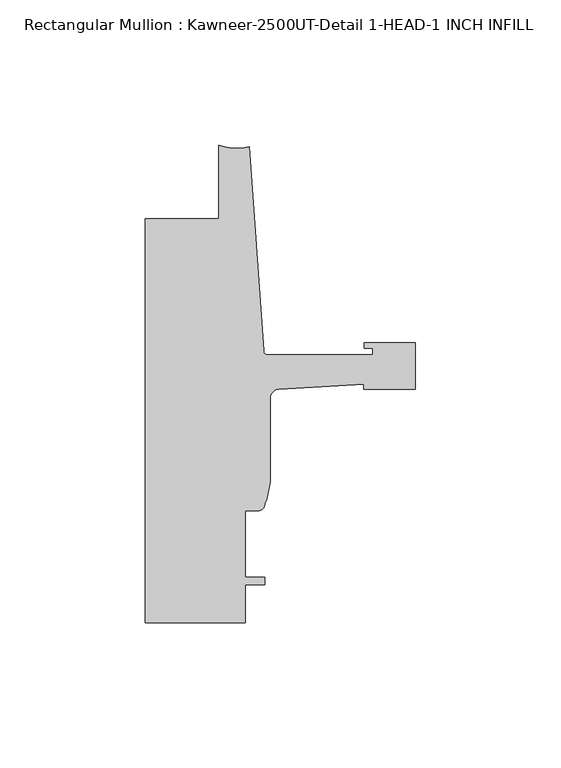
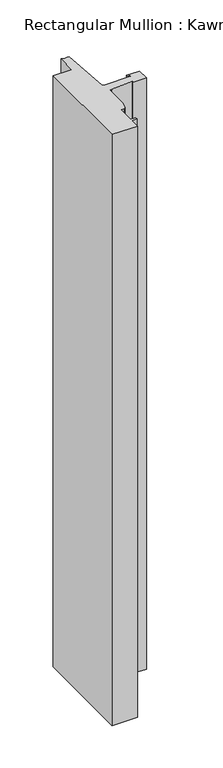
"""IFC4 building model written with IfcOpenShell, lengths in millimetres: member geometry, Rectangular Mullion : Kawneer-2500UT-Detail 1-HEAD-1 INCH INFILL."""

from ifc_helpers import new_model, si_unit, point, frame, frame_2d, origin, place, context, project, spatial, polyline, circle_curve, trimmed, segment, composite_curve, outline, extrude, source, transform, mapped, element, save


def rectangular_mullion_kawneer_2500ut_detail_1_head_1_inch_a5179716(model_context):
    return source(origin(), model_context, "Body", "SweptSolid", [
        extrude(outline(composite_curve([segment(polyline([(-17.9118541, -82.4047673), (-47.0897067, -84.1438176)]), True, "CONTINUOUS"), segment(trimmed(circle_curve(frame_2d((-46.9265, -87.3146201)), 3.175), [point((-47.0897067, -84.1438176))], [point((-50.1015, -87.3146201))], True, "CARTESIAN"), True, "CONTINUOUS"), segment(polyline([(-50.1015, -87.3146201), (-50.1015, -116.0261074), (-51.2667352, -122.020723), (-51.8795003, -123.6081953)]), True, "CONTINUOUS"), segment(trimmed(circle_curve(frame_2d((-54.4195002, -123.6081953)), 2.5399999), [point((-51.8795003, -123.6081953))], [point((-54.4195002, -126.1481952))], False, "CARTESIAN"), True, "CONTINUOUS"), segment(polyline([(-54.4195002, -126.1481952), (-58.7375, -126.1481952), (-58.7375, -149.0081952), (-51.8795003, -149.0081952), (-51.8795003, -151.5481952), (-58.7375, -151.5481952), (-58.7375, -164.5919944), (-93.2286109, -164.5919944), (-93.2286109, -25.4004469), (-67.8287241, -25.4004469), (-67.8287241, 5.6e-06)]), True, "CONTINUOUS"), segment(trimmed(circle_curve(frame_2d((-61.5737839, 15.5330855)), 16.7451739), [point((-67.8287241, 5.6e-06))], [point((-57.2987828, -0.657196))], True, "CARTESIAN"), True, "CONTINUOUS"), segment(polyline([(-57.2987828, -0.657196), (-52.3871824, -70.8961036)]), True, "CONTINUOUS"), segment(trimmed(circle_curve(frame_2d((-50.8668948, -70.7897944)), 1.524), [point((-52.3871824, -70.8961036))], [point((-50.8668948, -72.3137944))], True, "CARTESIAN"), True, "CONTINUOUS"), segment(polyline([(-50.8668948, -72.3137944), (-14.783487, -72.3137944), (-14.783487, -69.9769943), (-17.6377748, -69.9769943), (-17.6377748, -68.1989943), (0.0, -68.1989943), (0.0, -84.2009942), (-17.9118541, -84.2009942), (-17.9118541, -82.4047673)]), True, "CONTINUOUS")], self_intersect=False)), frame((0.0, 0.0, -850.8998868), z_axis=(0.0, 0.0, 1.0), x_axis=(1.0, 0.0, 0.0)), (0.0, 0.0, 1.0), 850.8998868),
    ])


if __name__ == "__main__":
    model = new_model("IFC4")
    model_context = context("Model", 3, world=origin())
    ifc_project = project(units=[si_unit("LENGTHUNIT", "METRE", prefix="MILLI")], contexts=[model_context])
    site = spatial("IfcSite", under=ifc_project)
    building = spatial("IfcBuilding", under=site)
    placement = place(None, origin())
    rectangular_mullion_kawneer_2500ut_detail_1_head_1_inch_shape = rectangular_mullion_kawneer_2500ut_detail_1_head_1_inch_a5179716(model_context)
    element("IfcMember", 1, ObjectType="Rectangular Mullion : Kawneer-2500UT-Detail 1-HEAD-1 INCH INFILL", at=placement, inside=building, context=model_context, shape_type="MappedRepresentation", body=[
        mapped(rectangular_mullion_kawneer_2500ut_detail_1_head_1_inch_shape, transform((0.0, 0.0, 0.0), x_axis=(1.0, 0.0, 0.0), y_axis=(0.0, 1.0, 0.0), z_axis=(0.0, 0.0, 1.0))),
    ])
    save(model, "model.ifc")
